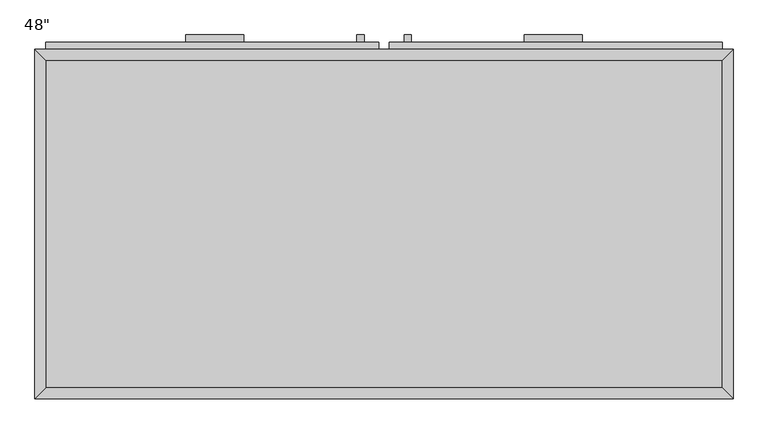
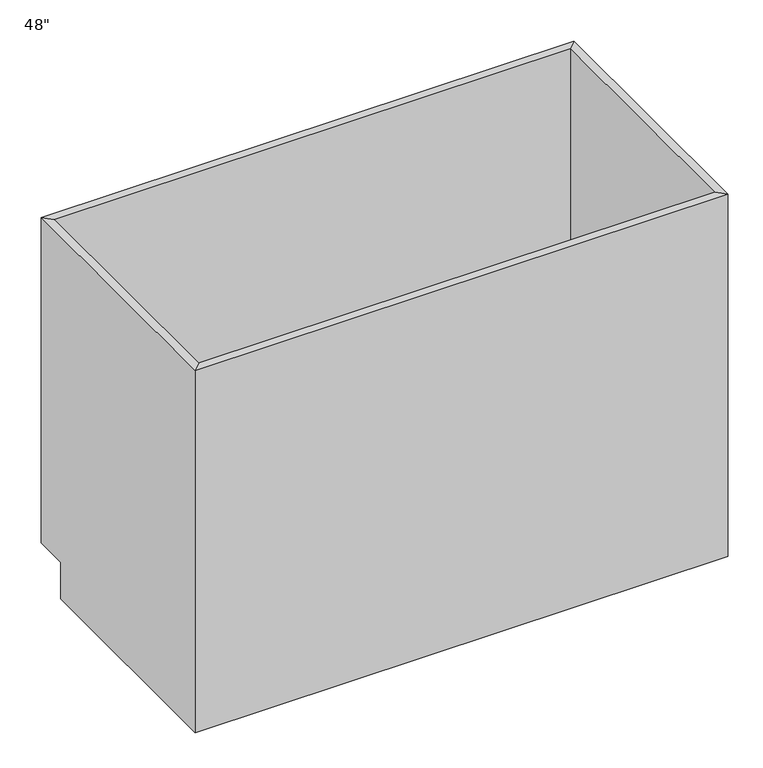
"""IFC4 building model written with IfcOpenShell, lengths in millimetres: furniture geometry."""

from ifc_helpers import new_model, si_unit, frame, origin, place, context, project, spatial, polyline, outline, extrude, faceted_brep, source, transform, mapped, element, save


def furniture_3b04147a(model_context):
    return source(origin(), model_context, "Body", "SolidModel", [
        faceted_brep([(609.2877049, 590.55, 876.3), (-571.8122951, 590.55, 876.3), (-571.8122951, 590.55, 88.9), (609.2877049, 590.55, 88.9), (628.3377049, 609.6, 876.3), (-590.8622951, 609.6, 876.3), (628.3377049, 609.6, 88.9), (-590.8622951, 609.6, 88.9), (-571.8122951, 19.05, 876.3), (-571.8122951, 19.05, 88.9), (-571.8122951, 533.4, 88.9), (-590.8622951, 0.0, 876.3), (-590.8622951, 533.4, 88.9), (-590.8622951, 533.4, 0.0), (-590.8622951, 0.0, 0.0), (609.2877049, 19.05, 876.3), (609.2877049, 19.05, 88.9), (628.3377049, 0.0, 876.3), (628.3377049, 0.0, 0.0), (609.2877049, 533.4, 88.9), (628.3377049, 533.4, 0.0), (628.3377049, 533.4, 88.9)], [[[0, 1, 2, 3]], [[0, 4, 5, 1]], [[4, 6, 7, 5]], [[2, 7, 6, 3]], [[1, 8, 9, 10, 2]], [[5, 11, 8, 1]], [[7, 12, 13, 14, 11, 5]], [[2, 10, 12, 7]], [[8, 15, 16, 9]], [[11, 17, 15, 8]], [[14, 18, 17, 11]], [[3, 19, 16, 15, 0]], [[0, 15, 17, 4]], [[4, 17, 18, 20, 21, 6]], [[6, 21, 19, 3]], [[10, 9, 16, 19]], [[18, 14, 13, 20]], [[13, 12, 10, 19, 21, 20]]]),
        extrude(outline(polyline([(-225.7372951, 635.0), (-225.7372951, 622.3), (-327.3372951, 622.3), (-327.3372951, 635.0), (-225.7372951, 635.0)])), frame((0.0, 0.0, 819.15), z_axis=(0.0, 0.0, 1.0), x_axis=(1.0, 0.0, 0.0)), (0.0, 0.0, 1.0), 12.7),
        extrude(outline(polyline([(364.8127049, 635.0), (364.8127049, 622.3), (263.2127049, 622.3), (263.2127049, 635.0), (364.8127049, 635.0)])), frame((0.0, 0.0, 819.15), z_axis=(0.0, 0.0, 1.0), x_axis=(1.0, 0.0, 0.0)), (0.0, 0.0, 1.0), 12.7),
        extrude(outline(polyline([(-16.1872951, 635.0), (-16.1872951, 622.3), (-28.8872951, 622.3), (-28.8872951, 635.0), (-16.1872951, 635.0)])), frame((0.0, 0.0, 596.9), z_axis=(0.0, 0.0, 1.0), x_axis=(1.0, 0.0, 0.0)), (0.0, 0.0, 1.0), 101.6),
        extrude(outline(polyline([(66.3627049, 635.0), (66.3627049, 622.3), (53.6627049, 622.3), (53.6627049, 635.0), (66.3627049, 635.0)])), frame((0.0, 0.0, 596.9), z_axis=(0.0, 0.0, 1.0), x_axis=(1.0, 0.0, 0.0)), (0.0, 0.0, 1.0), 101.6),
        extrude(outline(polyline([(609.2877049, 19.05), (-571.8122951, 19.05), (-571.8122951, 590.55), (609.2877049, 590.55), (609.2877049, 19.05)])), frame((0.0, 0.0, 88.9), z_axis=(0.0, 0.0, 1.0), x_axis=(1.0, 0.0, 0.0)), (0.0, 0.0, 1.0), 19.05),
        extrude(outline(polyline([(9.2127049, 622.3), (9.2127049, 609.6), (-571.8122951, 609.6), (-571.8122951, 622.3), (9.2127049, 622.3)])), frame((0.0, 0.0, 755.65), z_axis=(0.0, 0.0, 1.0), x_axis=(1.0, 0.0, 0.0)), (0.0, 0.0, 1.0), 101.6),
        extrude(outline(polyline([(609.2877049, 622.3), (609.2877049, 609.6), (28.2627049, 609.6), (28.2627049, 622.3), (609.2877049, 622.3)])), frame((0.0, 0.0, 755.65), z_axis=(0.0, 0.0, 1.0), x_axis=(1.0, 0.0, 0.0)), (0.0, 0.0, 1.0), 101.6),
        extrude(outline(polyline([(9.2127049, 622.3), (9.2127049, 609.6), (-571.8122951, 609.6), (-571.8122951, 622.3), (9.2127049, 622.3)])), frame((0.0, 0.0, 107.95), z_axis=(0.0, 0.0, 1.0), x_axis=(1.0, 0.0, 0.0)), (0.0, 0.0, 1.0), 628.65),
        extrude(outline(polyline([(609.2877049, 622.3), (609.2877049, 609.6), (28.2627049, 609.6), (28.2627049, 622.3), (609.2877049, 622.3)])), frame((0.0, 0.0, 107.95), z_axis=(0.0, 0.0, 1.0), x_axis=(1.0, 0.0, 0.0)), (0.0, 0.0, 1.0), 628.65),
    ])


if __name__ == "__main__":
    model = new_model("IFC4")
    model_context = context("Model", 3, world=origin())
    ifc_project = project(units=[si_unit("LENGTHUNIT", "METRE", prefix="MILLI")], contexts=[model_context])
    site = spatial("IfcSite", under=ifc_project)
    building = spatial("IfcBuilding", under=site)
    placement = place(None, origin())
    furniture_shape = furniture_3b04147a(model_context)
    element("IfcFurniture", 1, ObjectType="48\"", at=placement, inside=building, context=model_context, shape_type="MappedRepresentation", body=[
        mapped(furniture_shape, transform((0.0, 0.0, 0.0), x_axis=(1.0, 0.0, 0.0), y_axis=(0.0, 1.0, 0.0), z_axis=(0.0, 0.0, 1.0))),
    ])
    save(model, "model.ifc")
